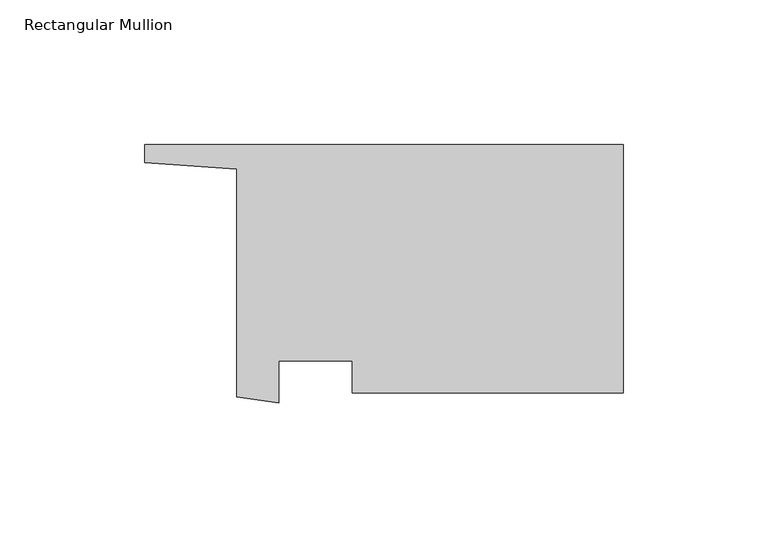
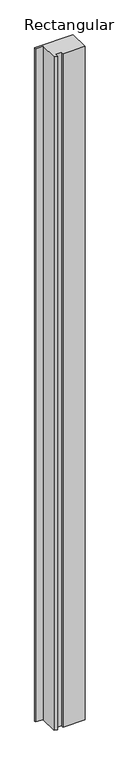
"""IFC4 building model written with IfcOpenShell, lengths in millimetres: member geometry, Rectangular Mullion."""

from ifc_helpers import new_model, si_unit, frame, origin, place, context, project, spatial, polyline, outline, extrude, source, transform, mapped, element, save


def rectangular_mullion_ce42c114(model_context):
    return source(origin(), model_context, "Body", "SweptSolid", [
        extrude(outline(polyline([(-133.3499375, 8.7111082), (-165.1, 10.9104424), (-165.1, 17.1429585), (0.0, 17.1429585), (0.0, -68.5823918), (-93.4483077, -68.5823918), (-93.4483077, -57.4698918), (-118.8413849, -57.4698918), (-118.8413849, -71.9791043), (-133.3499375, -69.922774), (-133.3499375, 8.7111082)])), frame((0.0, 0.0, -3048.0), z_axis=(0.0, 0.0, 1.0), x_axis=(1.0, 0.0, 0.0)), (0.0, 0.0, 1.0), 3048.0),
    ])


if __name__ == "__main__":
    model = new_model("IFC4")
    model_context = context("Model", 3, world=origin())
    ifc_project = project(units=[si_unit("LENGTHUNIT", "METRE", prefix="MILLI")], contexts=[model_context])
    site = spatial("IfcSite", under=ifc_project)
    building = spatial("IfcBuilding", under=site)
    placement = place(None, origin())
    rectangular_mullion_shape = rectangular_mullion_ce42c114(model_context)
    element("IfcMember", 1, ObjectType="Rectangular Mullion", at=placement, inside=building, context=model_context, shape_type="MappedRepresentation", body=[
        mapped(rectangular_mullion_shape, transform((0.0, 0.0, 0.0), x_axis=(1.0, 0.0, 0.0), y_axis=(0.0, 1.0, 0.0), z_axis=(0.0, 0.0, 1.0))),
    ])
    save(model, "model.ifc")
